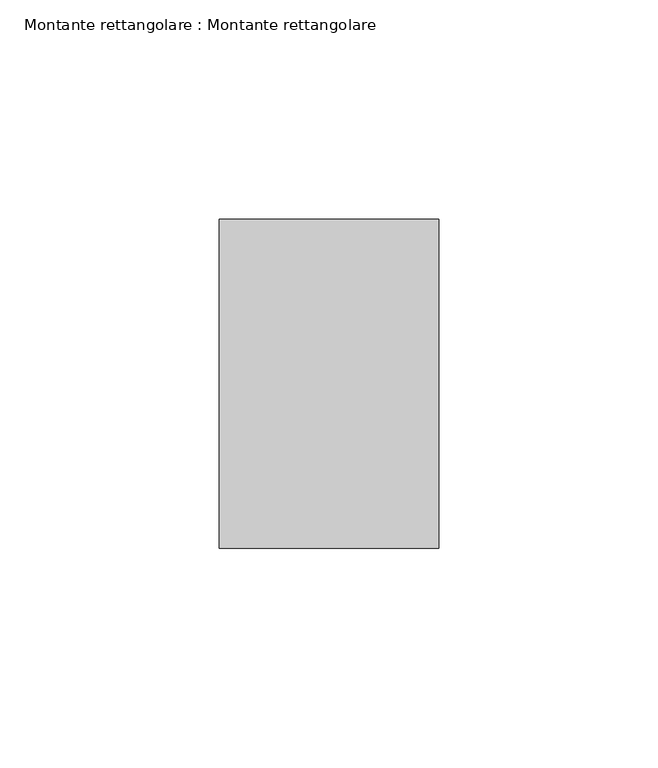
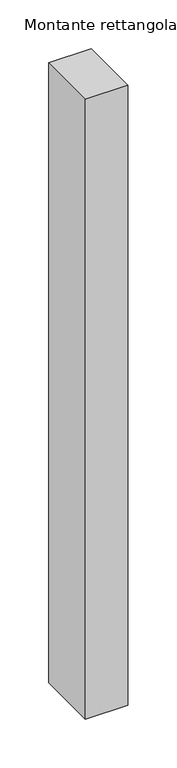
"""IFC4 building model written with IfcOpenShell, lengths in millimetres: member geometry, Montante rettangolare : Montante rettangolare."""

from ifc_helpers import new_model, si_unit, frame, origin, place, context, project, spatial, polyline, outline, extrude, source, transform, mapped, element, save


def montante_rettangolare_montante_rettangolare_f4908e8a(model_context):
    return source(origin(), model_context, "Body", "SweptSolid", [
        extrude(outline(polyline([(-37.5, -0.1752374), (37.5, 0.1746932), (37.5, -775.0000911), (-37.5, -775.0000911), (-37.5, -0.1752374)])), frame((-50.0, 0.0, 0.0), z_axis=(1.0, 0.0, 0.0), x_axis=(0.0, 1.0, 0.0)), (0.0, 0.0, 1.0), 50.0),
    ])


if __name__ == "__main__":
    model = new_model("IFC4")
    model_context = context("Model", 3, world=origin())
    ifc_project = project(units=[si_unit("LENGTHUNIT", "METRE", prefix="MILLI")], contexts=[model_context])
    site = spatial("IfcSite", under=ifc_project)
    building = spatial("IfcBuilding", under=site)
    placement = place(None, origin())
    montante_rettangolare_montante_rettangolare_shape = montante_rettangolare_montante_rettangolare_f4908e8a(model_context)
    element("IfcMember", 1, ObjectType="Montante rettangolare : Montante rettangolare", at=placement, inside=building, context=model_context, shape_type="MappedRepresentation", body=[
        mapped(montante_rettangolare_montante_rettangolare_shape, transform((0.0, 0.0, 0.0), x_axis=(1.0, 0.0, 0.0), y_axis=(0.0, 1.0, 0.0), z_axis=(0.0, 0.0, 1.0))),
    ])
    save(model, "model.ifc")
